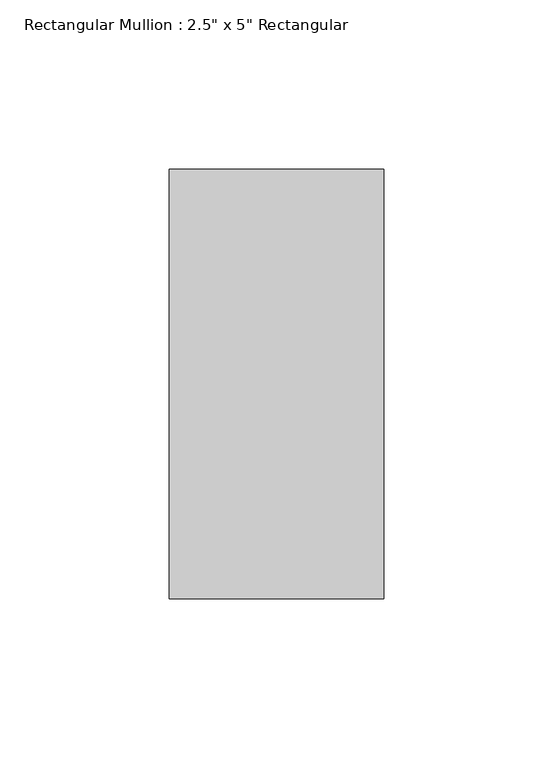
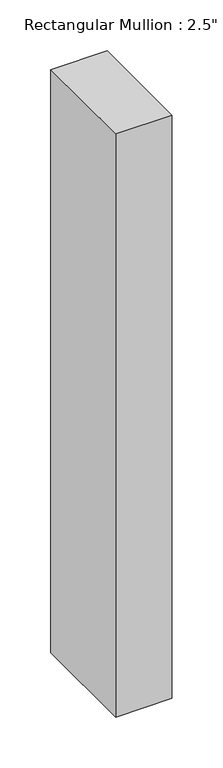
"""IFC4 building model written with IfcOpenShell, lengths in millimetres: member geometry."""

from ifc_helpers import new_model, si_unit, frame, origin, place, context, project, spatial, polyline, outline, extrude, source, transform, mapped, element, save


def member_c7c5a8a0(model_context):
    return source(origin(), model_context, "Body", "SweptSolid", [
        extrude(outline(polyline([(31.75, 63.5), (31.75, -63.5), (-31.75, -63.5), (-31.75, 63.5), (31.75, 63.5)])), frame((0.0, 0.0, -698.5), z_axis=(0.0, 0.0, 1.0), x_axis=(1.0, 0.0, 0.0)), (0.0, 0.0, 1.0), 698.5),
    ])


if __name__ == "__main__":
    model = new_model("IFC4")
    model_context = context("Model", 3, world=origin())
    ifc_project = project(units=[si_unit("LENGTHUNIT", "METRE", prefix="MILLI")], contexts=[model_context])
    site = spatial("IfcSite", under=ifc_project)
    building = spatial("IfcBuilding", under=site)
    placement = place(None, origin())
    member_shape = member_c7c5a8a0(model_context)
    element("IfcMember", 1, ObjectType="Rectangular Mullion : 2.5\" x 5\" Rectangular", at=placement, inside=building, context=model_context, shape_type="MappedRepresentation", body=[
        mapped(member_shape, transform((0.0, 0.0, 0.0), x_axis=(1.0, 0.0, 0.0), y_axis=(0.0, 1.0, 0.0), z_axis=(0.0, 0.0, 1.0))),
    ])
    save(model, "model.ifc")
